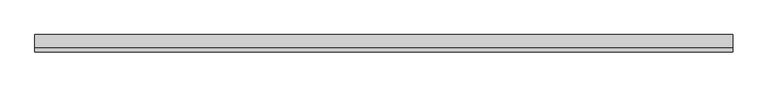
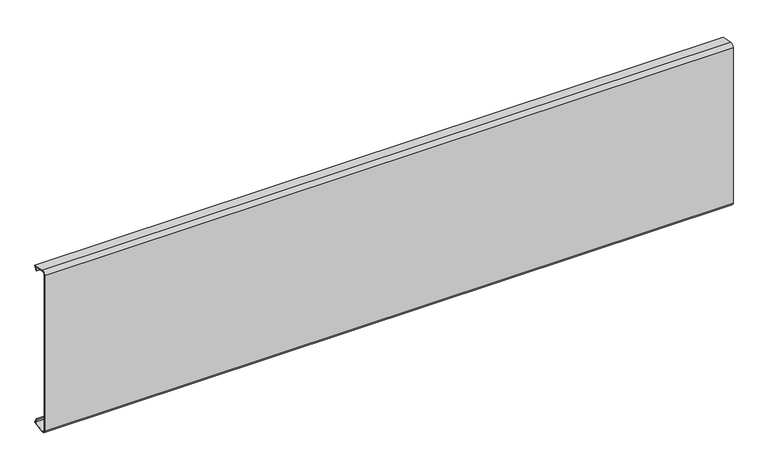
"""IFC4 building model written with IfcOpenShell, lengths in millimetres: plate geometry."""

from ifc_helpers import new_model, si_unit, point, frame, frame_2d, origin, place, context, project, spatial, polyline, circle_curve, trimmed, segment, composite_curve, outline, extrude, source, transform, mapped, element, save


def plate_ee55381e(model_context):
    return source(origin(), model_context, "Body", "SweptSolid", [
        extrude(outline(composite_curve([segment(polyline([(-126.5702753, 488.4744489), (-126.5702753, 11.5255511)]), True, "CONTINUOUS"), segment(trimmed(circle_curve(frame_2d((-118.4655739, 12.1618322)), 8.1296395), [point((-126.5702753, 11.5255511))], [point((-117.0538769, 4.1557002))], True, "CARTESIAN"), True, "CONTINUOUS"), segment(polyline([(-117.0538769, 4.1557002), (-82.0222594, 10.3327195), (-87.2183611, 21.4757956), (-85.4057455, 22.3210321), (-79.1081101, 8.8157094), (-116.7065805, 2.1860847)]), True, "CONTINUOUS"), segment(trimmed(circle_curve(frame_2d((-118.4655739, 12.1618322)), 10.1296395), [point((-116.7065805, 2.1860847))], [point((-128.5702753, 11.4514759))], False, "CARTESIAN"), True, "CONTINUOUS"), segment(polyline([(-128.5702753, 11.4514759), (-128.5702753, 488.5485241)]), True, "CONTINUOUS"), segment(trimmed(circle_curve(frame_2d((-118.4655739, 487.8381678)), 10.1296395), [point((-128.5702753, 488.5485241))], [point((-116.7065805, 497.8139153))], False, "CARTESIAN"), True, "CONTINUOUS"), segment(polyline([(-116.7065805, 497.8139153), (-79.1081101, 491.1842906), (-85.4057455, 477.6789679), (-87.2183611, 478.5242044), (-82.0222594, 489.6672805), (-117.0538769, 495.8442998)]), True, "CONTINUOUS"), segment(trimmed(circle_curve(frame_2d((-118.4655739, 487.8381678)), 8.1296395), [point((-117.0538769, 495.8442998))], [point((-126.5702753, 488.4744489))], True, "CARTESIAN"), True, "CONTINUOUS")], self_intersect=False)), frame((-1000.0, 0.0, 0.0), z_axis=(1.0, 0.0, 0.0), x_axis=(0.0, 1.0, 0.0)), (0.0, 0.0, 1.0), 2000.0),
    ])


if __name__ == "__main__":
    model = new_model("IFC4")
    model_context = context("Model", 3, world=origin())
    ifc_project = project(units=[si_unit("LENGTHUNIT", "METRE", prefix="MILLI")], contexts=[model_context])
    site = spatial("IfcSite", under=ifc_project)
    building = spatial("IfcBuilding", under=site)
    placement = place(None, origin())
    plate_shape = plate_ee55381e(model_context)
    element("IfcPlate", 1, at=placement, inside=building, context=model_context, shape_type="MappedRepresentation", body=[
        mapped(plate_shape, transform((0.0, 0.0, 0.0), x_axis=(1.0, 0.0, 0.0), y_axis=(0.0, 1.0, 0.0), z_axis=(0.0, 0.0, 1.0))),
    ])
    save(model, "model.ifc")
